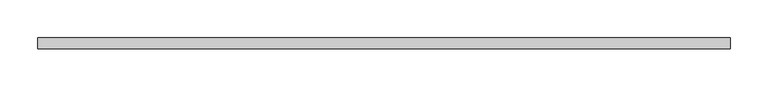
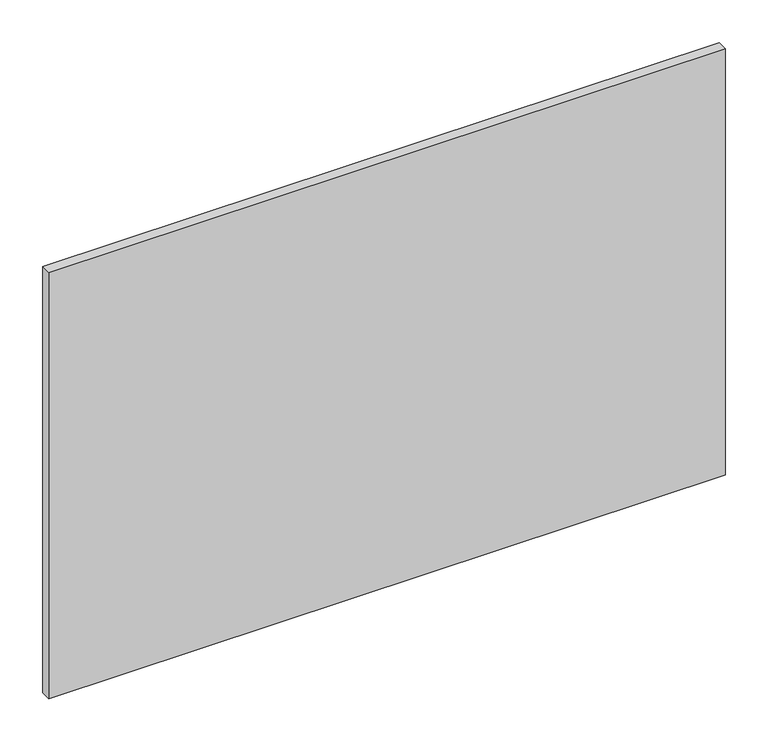
"""IFC4 building model written with IfcOpenShell, lengths in millimetres: furniture geometry."""

from ifc_helpers import new_model, si_unit, frame, origin, place, context, project, spatial, polyline, outline, extrude, source, transform, mapped, element, save


def furniture_3bbd5fd0(model_context):
    return source(origin(), model_context, "Body", "SweptSolid", [
        extrude(outline(polyline([(457.2, -34.1082318), (457.2, -48.296513), (-457.2, -48.296513), (-457.2, -34.1082318), (457.2, -34.1082318)])), frame((0.0, 0.0, 762.0), z_axis=(0.0, 0.0, 1.0), x_axis=(1.0, 0.0, 0.0)), (0.0, 0.0, 1.0), 609.6),
    ])


if __name__ == "__main__":
    model = new_model("IFC4")
    model_context = context("Model", 3, world=origin())
    ifc_project = project(units=[si_unit("LENGTHUNIT", "METRE", prefix="MILLI")], contexts=[model_context])
    site = spatial("IfcSite", under=ifc_project)
    building = spatial("IfcBuilding", under=site)
    placement = place(None, origin())
    furniture_shape = furniture_3bbd5fd0(model_context)
    element("IfcFurniture", 1, at=placement, inside=building, context=model_context, shape_type="MappedRepresentation", body=[
        mapped(furniture_shape, transform((0.0, 0.0, 0.0), x_axis=(1.0, 0.0, 0.0), y_axis=(0.0, 1.0, 0.0), z_axis=(0.0, 0.0, 1.0))),
    ])
    save(model, "model.ifc")
